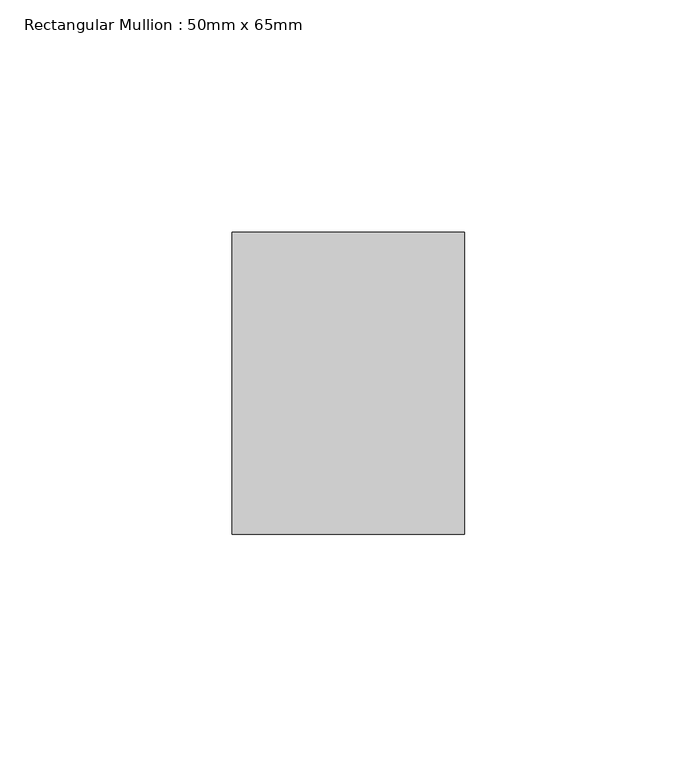
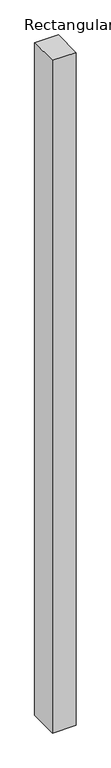
"""IFC4 building model written with IfcOpenShell, lengths in millimetres: member geometry, Rectangular Mullion : 50mm x 65mm."""

from ifc_helpers import new_model, si_unit, origin, place, context, project, spatial, faceted_brep, source, transform, mapped, element, save


def rectangular_mullion_50mm_x_65mm_c80ab769(model_context):
    return source(origin(), model_context, "Body", "Brep", [
        faceted_brep([(-25.0, 32.5, -0.0980881), (25.0, 32.5, -0.0980877), (25.0, 32.5, -1499.8164764), (-25.0, 32.5, -1499.8164756), (-25.0, -32.5, 0.0980877), (-25.0, -32.5, -1500.1836185), (25.0, -32.5, 0.0980881), (25.0, -32.5, -1500.1836193)], [[[0, 1, 2, 3]], [[4, 0, 3, 5]], [[6, 4, 5, 7]], [[1, 6, 7, 2]], [[1, 0, 4, 6]], [[2, 7, 5, 3]]]),
    ])


if __name__ == "__main__":
    model = new_model("IFC4")
    model_context = context("Model", 3, world=origin())
    ifc_project = project(units=[si_unit("LENGTHUNIT", "METRE", prefix="MILLI")], contexts=[model_context])
    site = spatial("IfcSite", under=ifc_project)
    building = spatial("IfcBuilding", under=site)
    placement = place(None, origin())
    rectangular_mullion_50mm_x_65mm_shape = rectangular_mullion_50mm_x_65mm_c80ab769(model_context)
    element("IfcMember", 1, ObjectType="Rectangular Mullion : 50mm x 65mm", at=placement, inside=building, context=model_context, shape_type="MappedRepresentation", body=[
        mapped(rectangular_mullion_50mm_x_65mm_shape, transform((0.0, 0.0, 0.0), x_axis=(1.0, 0.0, 0.0), y_axis=(0.0, 1.0, 0.0), z_axis=(0.0, 0.0, 1.0))),
    ])
    save(model, "model.ifc")
